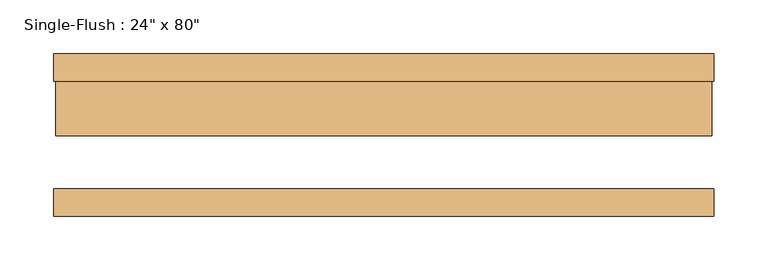
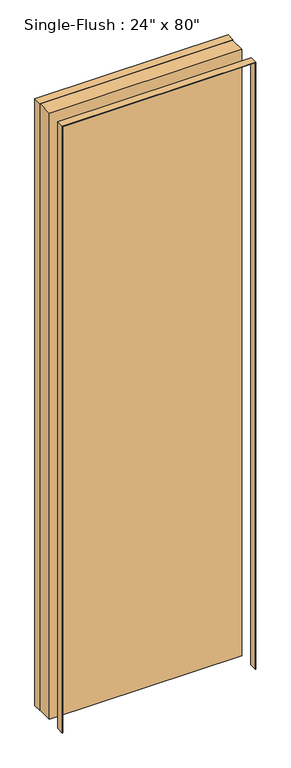
"""IFC4 building model written with IfcOpenShell, lengths in millimetres: door geometry."""

import ifcopenshell
import ifcopenshell.guid

model = None  # the IFC model being written
_history = None  # IfcOwnerHistory: only IFC2X3 demands one
_inside = {}  # id of a spatial element -> (the spatial element, [elements in it])
_under = {}  # id of a project, library or spatial element -> (it, [spatial elements below it])
_declared = {}  # id of a project -> (the project, [libraries it declares])
_typed = {}  # id of a type object -> (the type object, [elements of that type])
_made_of = {}  # id of a material, layer set ... -> (it, [elements and type objects made of it])


def new_model(schema):
    """Start an empty IFC model of exactly this schema.

    Asked for "IFC4X3", IfcOpenShell would pick the latest addendum, in which some entities
    have other attributes; the version numbers below select the first issue.
    IFC2X3 requires an IfcOwnerHistory on every rooted entity: one is made here for all.
    """
    global model, _history
    if schema == "IFC4X3":
        model = ifcopenshell.file(schema_version=(4, 3, 0, 0))
    else:
        model = ifcopenshell.file(schema=schema)
    _inside.clear()
    _under.clear()
    _declared.clear()
    _typed.clear()
    _made_of.clear()
    _history = None
    if model.schema == "IFC2X3":
        org = make("IfcOrganization", Name="unknown")
        user = make(
            "IfcPersonAndOrganization",
            ThePerson=make("IfcPerson", FamilyName="unknown"),
            TheOrganization=org,
        )
        app = make(
            "IfcApplication",
            ApplicationDeveloper=org,
            Version="unknown",
            ApplicationFullName="unknown",
            ApplicationIdentifier="unknown",
        )
        _history = make(
            "IfcOwnerHistory",
            OwningUser=user,
            OwningApplication=app,
            ChangeAction="ADDED",
            CreationDate=0,
        )
    return model


def make(cls, **values):
    """One entity of the class cls with the attributes given. An attribute that is None is left unset."""
    return model.create_entity(
        cls, **{name: value for name, value in values.items() if value is not None}
    )


def rooted(cls, **values):
    """An entity with a GlobalId (a new one), such as an element, a storey or a relation."""
    return make(cls, GlobalId=ifcopenshell.guid.new(), OwnerHistory=_history, **values)


def si_unit(unit_type, name, prefix=None):
    """IfcSIUnit, for example si_unit("LENGTHUNIT", "METRE", prefix="MILLI")."""
    return make("IfcSIUnit", UnitType=unit_type, Prefix=prefix, Name=name)


def assignment(units):
    """IfcUnitAssignment: the units of a project."""
    return None if units is None else make("IfcUnitAssignment", Units=units)


def point(xyz):
    """IfcCartesianPoint."""
    return None if xyz is None else make("IfcCartesianPoint", Coordinates=xyz)


def direction(xyz):
    """IfcDirection."""
    return None if xyz is None else make("IfcDirection", DirectionRatios=xyz)


def frame(location, z_axis=None, x_axis=None):
    """IfcAxis2Placement3D, a coordinate frame: its origin and axes. An axis left out is left unset."""
    return make(
        "IfcAxis2Placement3D",
        Location=point(location),
        Axis=direction(z_axis),
        RefDirection=direction(x_axis),
    )


def origin():
    """The frame at (0, 0, 0) with its axes left unset."""
    return frame((0.0, 0.0, 0.0))


def origin_with_axes():
    """The frame at (0, 0, 0) with the z axis (0, 0, 1) and the x axis (1, 0, 0) written out."""
    return frame((0.0, 0.0, 0.0), z_axis=(0.0, 0.0, 1.0), x_axis=(1.0, 0.0, 0.0))


def place(relative_to, where):
    """IfcLocalPlacement: puts the frame where relative to a parent placement (None: the world)."""
    return make(
        "IfcLocalPlacement", PlacementRelTo=relative_to, RelativePlacement=where
    )


def context(
    kind, dimensions, precision=None, world=None, true_north=None, identifier=None
):
    """IfcGeometricRepresentationContext, for example the 3D "Model" context."""
    return make(
        "IfcGeometricRepresentationContext",
        ContextIdentifier=identifier,
        ContextType=kind,
        CoordinateSpaceDimension=dimensions,
        Precision=precision,
        WorldCoordinateSystem=world,
        TrueNorth=true_north,
    )


def project(units=None, contexts=None):
    """IfcProject with its units and contexts."""
    return rooted(
        "IfcProject",
        Name="project",
        RepresentationContexts=contexts,
        UnitsInContext=assignment(units),
    )


def spatial(cls, under=None, at=None, **own):
    """A site, building, storey or space (cls), placed at a placement, below another one or the project."""
    s = rooted(cls, ObjectPlacement=at, **own)
    if under is not None:
        _under.setdefault(under.id(), (under, []))[1].append(s)
    return s


def polyline(points):
    """IfcPolyline through the points."""
    return make("IfcPolyline", Points=[point(p) for p in points])


def outline(outer, holes=None, kind="AREA"):
    """IfcArbitraryClosedProfileDef: a profile drawn as a closed curve; with holes, ...WithVoids."""
    if holes is None:
        return make("IfcArbitraryClosedProfileDef", ProfileType=kind, OuterCurve=outer)
    return make(
        "IfcArbitraryProfileDefWithVoids",
        ProfileType=kind,
        OuterCurve=outer,
        InnerCurves=holes,
    )


def extrude(swept, where, along, depth):
    """IfcExtrudedAreaSolid: the profile swept, set in the frame where, extruded along a direction by depth."""
    return make(
        "IfcExtrudedAreaSolid",
        SweptArea=swept,
        Position=where,
        ExtrudedDirection=direction(along),
        Depth=depth,
    )


def shape(context_of_items, identifier, shape_type, items):
    """IfcShapeRepresentation: the items that make up one representation, for example the "Body"."""
    return make(
        "IfcShapeRepresentation",
        ContextOfItems=context_of_items,
        RepresentationIdentifier=identifier,
        RepresentationType=shape_type,
        Items=items,
    )


def source(mapping_origin, context_of_items, identifier, shape_type, items):
    """IfcRepresentationMap: a shape defined once, which mapped items show again and again."""
    return make(
        "IfcRepresentationMap",
        MappingOrigin=mapping_origin,
        MappedRepresentation=shape(context_of_items, identifier, shape_type, items),
    )


def transform(
    local_origin,
    x_axis=None,
    y_axis=None,
    z_axis=None,
    scale=None,
    scale2=None,
    scale3=None,
    uniform=True,
):
    """IfcCartesianTransformationOperator3D, or its non-uniform kind. x_axis, y_axis, z_axis: its Axis1, 2, 3."""
    if uniform:
        return make(
            "IfcCartesianTransformationOperator3D",
            Axis1=direction(x_axis),
            Axis2=direction(y_axis),
            LocalOrigin=point(local_origin),
            Scale=scale,
            Axis3=direction(z_axis),
        )
    return make(
        "IfcCartesianTransformationOperator3DnonUniform",
        Axis1=direction(x_axis),
        Axis2=direction(y_axis),
        LocalOrigin=point(local_origin),
        Scale=scale,
        Axis3=direction(z_axis),
        Scale2=scale2,
        Scale3=scale3,
    )


def mapped(mapping_source, mapping_target):
    """IfcMappedItem: shows the shape of a source again, moved by a transform."""
    return make(
        "IfcMappedItem", MappingSource=mapping_source, MappingTarget=mapping_target
    )


def made_of(thing, what):
    """Note that an element or type object is made of a material, layer set ...; save() writes the relation."""
    if what is not None:
        _made_of.setdefault(what.id(), (what, []))[1].append(thing)
    return thing


def element(
    cls,
    number,
    at=None,
    inside=None,
    cuts=None,
    type_object=None,
    material=None,
    context=None,
    identifier="Body",
    shape_type=None,
    held_by="IfcProductDefinitionShape",
    body=None,
    shapes=None,
    **own,
):
    """One element of the class cls, such as IfcWall. Its Tag is "e" and its number.

    at: its placement. inside: the storey or other place that contains it. cuts: it is an
    opening in that element (IfcRelVoidsElement). A single representation is given by context,
    identifier, shape_type and body (its items); several are given by shapes. held_by: the class
    of the entity that holds the representations. save() writes the other relations.
    """
    e = rooted(cls, Tag="e%d" % number, ObjectPlacement=at, **own)
    if body is not None:
        shapes = [shape(context, identifier, shape_type, body)]
    if shapes is not None:
        e.Representation = make(held_by, Representations=shapes)
    if inside is not None:
        _inside.setdefault(inside.id(), (inside, []))[1].append(e)
    if cuts is not None:
        rooted(
            "IfcRelVoidsElement", RelatingBuildingElement=cuts, RelatedOpeningElement=e
        )
    if type_object is not None:
        _typed.setdefault(type_object.id(), (type_object, []))[1].append(e)
    return made_of(e, material)


def aggregate(whole, parts):
    """IfcRelAggregates: a whole, such as a stair, and the parts it consists of."""
    return rooted("IfcRelAggregates", RelatingObject=whole, RelatedObjects=parts)


def save(model, path):
    """Write the relations noted so far, then the file.

    IfcRelAggregates (storeys below a building ...), IfcRelContainedInSpatialStructure (elements
    in a storey), IfcRelDefinesByType, IfcRelAssociatesMaterial and IfcRelDeclares: one each for
    every whole, place, type object, material and project.
    """
    for whole, parts in _under.values():
        aggregate(whole, parts)
    for where, things in _inside.values():
        rooted(
            "IfcRelContainedInSpatialStructure",
            RelatedElements=things,
            RelatingStructure=where,
        )
    for kind, things in _typed.values():
        rooted("IfcRelDefinesByType", RelatedObjects=things, RelatingType=kind)
    for what, things in _made_of.values():
        rooted("IfcRelAssociatesMaterial", RelatedObjects=things, RelatingMaterial=what)
    for by, libraries in _declared.values():
        rooted("IfcRelDeclares", RelatingContext=by, RelatedDefinitions=libraries)
    model.write(path)


def door_b265d878(model_context):
    return source(origin(), model_context, "Body", "SweptSolid", [
        extrude(outline(polyline([(2033.5875, -306.3875), (0.0, -306.3875), (0.0, -304.8), (2032.0, -304.8), (2032.0, 304.8), (0.0, 304.8), (0.0, 306.3875), (2033.5875, 306.3875), (2033.5875, -306.3875)])), frame((0.0, 50.0, 0.0), z_axis=(0.0, 1.0, 0.0), x_axis=(0.0, 0.0, 1.0)), (0.0, 0.0, 1.0), 25.4),
        extrude(outline(polyline([(2033.5875, 306.3875), (2033.5875, -306.3875), (0.0, -306.3875), (0.0, -304.8), (2032.0, -304.8), (2032.0, 304.8), (0.0, 304.8), (0.0, 306.3875), (2033.5875, 306.3875)])), frame((0.0, -75.4, 0.0), z_axis=(0.0, 1.0, 0.0), x_axis=(0.0, 0.0, 1.0)), (0.0, 0.0, 1.0), 25.4),
        extrude(outline(polyline([(304.8, -0.8), (-304.8, -0.8), (-304.8, 50.0), (304.8, 50.0), (304.8, -0.8)])), origin_with_axes(), (0.0, 0.0, 1.0), 2032.0),
    ])


if __name__ == "__main__":
    model = new_model("IFC4")
    model_context = context("Model", 3, world=origin())
    ifc_project = project(units=[si_unit("LENGTHUNIT", "METRE", prefix="MILLI")], contexts=[model_context])
    site = spatial("IfcSite", under=ifc_project)
    building = spatial("IfcBuilding", under=site)
    placement = place(None, origin())
    door_shape = door_b265d878(model_context)
    element("IfcDoor", 1, ObjectType="Single-Flush : 24\" x 80\"", at=placement, inside=building, context=model_context, shape_type="MappedRepresentation", body=[
        mapped(door_shape, transform((0.0, 0.0, 0.0), x_axis=(1.0, 0.0, 0.0), y_axis=(0.0, 1.0, 0.0), z_axis=(0.0, 0.0, 1.0))),
    ])
    save(model, "model.ifc")
